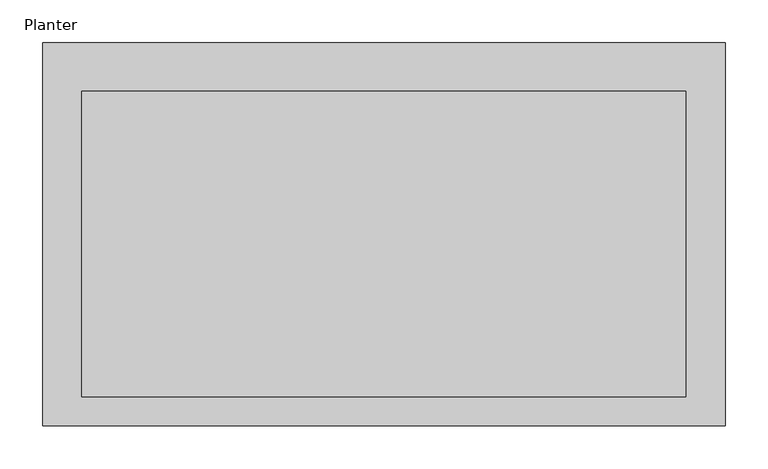
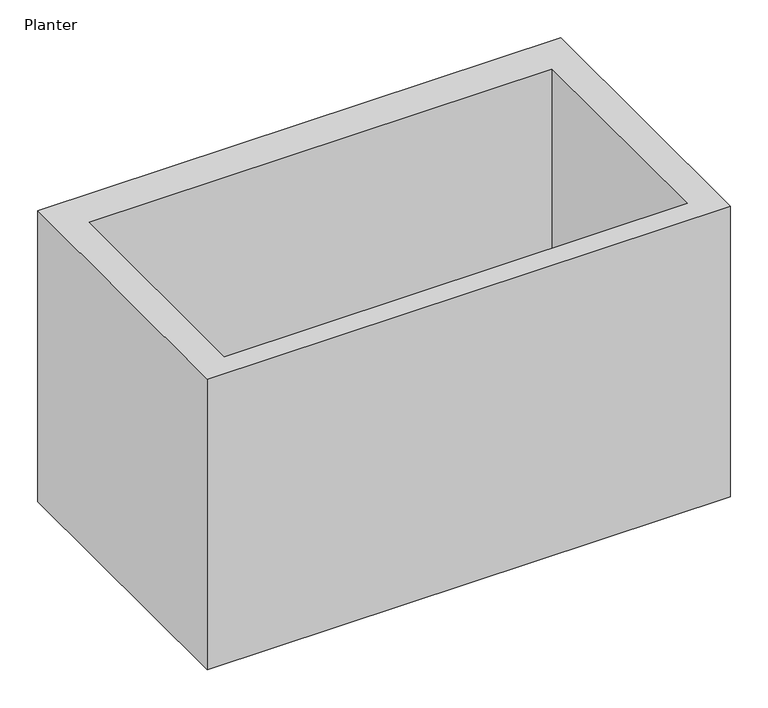
"""IFC4 building model written with IfcOpenShell, lengths in millimetres: furniture geometry, Planter."""

from ifc_helpers import new_model, si_unit, origin, place, context, project, spatial, faceted_brep, source, transform, mapped, element, save


def planter_2de12ecd(model_context):
    return source(origin(), model_context, "Body", "Brep", [
        faceted_brep([(399.0251647, 226.6653143, 582.866754), (-399.0251647, 226.6653143, 582.866754), (-399.0251647, -221.3346857, 582.866754), (399.0251647, -221.3346857, 582.866754), (352.7906312, 169.8015295, 582.866754), (352.7906312, -187.3266138, 582.866754), (-353.4853087, -187.3266138, 582.866754), (-353.4853087, 169.8015295, 582.866754), (399.0251647, 226.6653143, 113.866754), (399.0251647, -221.3346857, 113.866754), (-399.0251647, -221.3346857, 113.866754), (-399.0251647, 226.6653143, 113.866754), (352.7906312, 169.8015295, 163.866754), (352.7906312, -187.3266138, 163.866754), (-353.4853087, -187.3266138, 163.866754), (-353.4853087, 169.8015295, 163.866754)], [[[0, 1, 2, 3], [4, 5, 6, 7]], [[8, 9, 10, 11]], [[1, 0, 8, 11]], [[2, 1, 11, 10]], [[3, 2, 10, 9]], [[0, 3, 9, 8]], [[5, 4, 12, 13]], [[6, 5, 13, 14]], [[7, 6, 14, 15]], [[4, 7, 15, 12]], [[13, 12, 15, 14]]]),
    ])


if __name__ == "__main__":
    model = new_model("IFC4")
    model_context = context("Model", 3, world=origin())
    ifc_project = project(units=[si_unit("LENGTHUNIT", "METRE", prefix="MILLI")], contexts=[model_context])
    site = spatial("IfcSite", under=ifc_project)
    building = spatial("IfcBuilding", under=site)
    placement = place(None, origin())
    planter_shape = planter_2de12ecd(model_context)
    element("IfcFurniture", 1, ObjectType="Planter", at=placement, inside=building, context=model_context, shape_type="MappedRepresentation", body=[
        mapped(planter_shape, transform((0.0, 0.0, 0.0), x_axis=(1.0, 0.0, 0.0), y_axis=(0.0, 1.0, 0.0), z_axis=(0.0, 0.0, 1.0))),
    ])
    save(model, "model.ifc")
